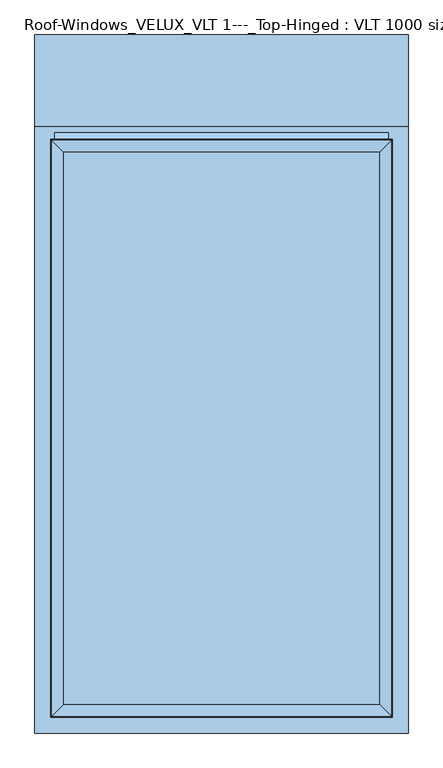
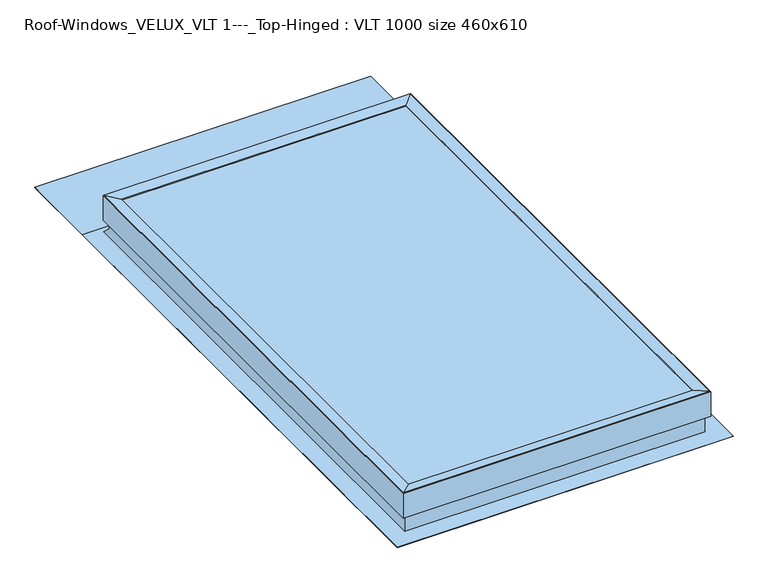
"""IFC4 building model written with IfcOpenShell, lengths in millimetres: window geometry, Roof-Windows_VELUX_VLT 1---_Top-Hinged : VLT 1000 size 460x610."""

from ifc_helpers import new_model, si_unit, frame, origin, place, context, project, spatial, polyline, circle_curve, outline, extrude, faceted_brep, source, transform, mapped, element, save
from ifc_brep_helpers import plane_surface, cylinder_surface, revolved_surface, advanced_brep


def roof_windows_velux_vlt_1_top_hinged_vlt_1000_size_460x610_8301d4c6(model_context):
    return source(origin(), model_context, "Body", "SolidModel", [
        advanced_brep(
        [(15.0, 553.9444995, 4120.4673639), (-15.0, 553.9444995, 4120.4673639), (-9.9250672, 553.9444995, 4079.2454636), (9.9250672, 553.9444995, 4079.2454636), (9.9250672, 578.9444995, 4079.2454636), (-9.9250672, 578.9444995, 4079.2454636), (-13.2887357, 578.9444995, 4106.5673639), (13.2887357, 578.9444995, 4106.5673639), (15.0, 585.1444995, 4120.4673639), (-15.0, 585.1444995, 4120.4673639), (-13.2887357, 585.1444995, 4106.5673639), (9.9250672, 568.4444995, 4079.2454636), (6.6143783, 568.4444995, 4072.9673639), (6.6143783, 564.4444995, 4072.9673639), (9.9250672, 564.4444995, 4079.2454636), (10.9988425, 564.4444995, 4087.9673639), (10.9988425, 568.4444995, 4087.9673639), (13.2887357, 585.1444995, 4106.5673639), (147.5, 568.4444995, 4072.9673639), (197.5, 568.4444995, 4072.9673639), (201.5860791, 568.4444995, 4072.9673639), (144.4821485, 564.4444995, 4072.9673639), (144.4821485, 564.4444995, 4087.9673639), (201.5860791, 568.4444995, 4087.9673639), (197.5, 568.4444995, 4087.9673639), (147.5, 568.4444995, 4087.9673639)],
        [
            (0, 1),
            (1, 2),
            (2, 3, circle_curve(frame((0.0, 553.9444995, 4080.4673639), z_axis=(0.0, -1.0, 0.0), x_axis=(-1.0, 0.0, 0.0)), 10.0)),
            (3, 0),
            (4, 5, circle_curve(frame((0.0, 578.9444995, 4080.4673639), z_axis=(0.0, 1.0, 0.0), x_axis=(-1.0, 0.0, 0.0)), 10.0)),
            (5, 6),
            (6, 7),
            (7, 4),
            (0, 8),
            (8, 9),
            (9, 1),
            (9, 10),
            (10, 6),
            (5, 2),
            (4, 11),
            (11, 12, circle_curve(frame((0.0, 568.4444995, 4080.4673639), z_axis=(0.0, 1.0, 0.0), x_axis=(-1.0, 0.0, 0.0)), 10.0)),
            (12, 13),
            (13, 14, circle_curve(frame((0.0, 564.4444995, 4080.4673639), z_axis=(0.0, -1.0, 0.0), x_axis=(-1.0, 0.0, 0.0)), 10.0)),
            (14, 3),
            (14, 15),
            (15, 16),
            (16, 11),
            (7, 17),
            (17, 8),
            (17, 10),
            (18, 19, circle_curve(frame((172.5, 574.0694995, 4072.9673639), z_axis=(0.0, 0.0, 1.0), x_axis=(0.0, 1.0, 0.0)), 25.625)),
            (19, 20),
            (20, 21, circle_curve(frame((172.5, 574.0694995, 4072.9673639), z_axis=(0.0, 0.0, -1.0), x_axis=(0.0, 1.0, 0.0)), 29.625)),
            (21, 13),
            (12, 18),
            (22, 23, circle_curve(frame((172.5, 574.0694995, 4087.9673639), z_axis=(0.0, 0.0, 1.0), x_axis=(0.0, 1.0, 0.0)), 29.625)),
            (23, 24),
            (24, 25, circle_curve(frame((172.5, 574.0694995, 4087.9673639), z_axis=(0.0, 0.0, -1.0), x_axis=(0.0, 1.0, 0.0)), 25.625)),
            (25, 16),
            (15, 22),
            (18, 25),
            (24, 19),
            (23, 20),
            (22, 21),
        ],
        [
            plane_surface(frame((-355.4185201, 553.9444995, 4120.4673639), z_axis=(0.0, -1.0, 0.0), x_axis=(-1.0, 0.0, 0.0))),
            plane_surface(frame((-355.4185201, 578.9444995, 4120.4673639), z_axis=(0.0, 1.0, 0.0), x_axis=(1.0, 0.0, 0.0))),
            plane_surface(frame((15.0, 553.9444995, 4120.4673639), z_axis=(0.0, 0.0, 1.0), x_axis=(0.0, 1.0, 0.0))),
            plane_surface(frame((-15.0, 553.9444995, 4120.4673639), z_axis=(-0.9925067247033487, 0.0, -0.12219002176377342), x_axis=(0.0, 1.0, 0.0))),
            cylinder_surface(frame((0.0, 578.9444995, 4080.4673639), z_axis=(0.0, -1.0, 0.0), x_axis=(-1.0, 0.0, 0.0)), 10.0),
            plane_surface(frame((9.9250672, 553.9444995, 4079.2454636), z_axis=(0.9925067247033528, 0.0, -0.12219002176373986), x_axis=(0.0, 1.0, 0.0))),
            plane_surface(frame((-15.0, 585.1444995, 4120.4673639), z_axis=(0.0, 1.0, 0.0), x_axis=(1.0, 0.0, 0.0))),
            plane_surface(frame((-13.2887357, 578.9444995, 4106.5673639), z_axis=(0.0, 0.0, -1.0), x_axis=(0.0, 1.0, 0.0))),
            plane_surface(frame((172.5, 599.6944995, 4072.9673639), z_axis=(0.0, 0.0, -1.0), x_axis=(-1.0, 0.0, 0.0))),
            plane_surface(frame((172.5, 599.6944995, 4087.9673639), z_axis=(0.0, 0.0, 1.0), x_axis=(1.0, 0.0, 0.0))),
            revolved_surface(polyline([(172.5, 599.6944995, 4087.9673639), (172.5, 599.6944995, 4072.9673639)]), (172.5, 574.0694995, 4087.9673639), (0.0, 0.0, 1.0)),
            plane_surface(frame((197.5, 568.4444995, 4072.9673639), z_axis=(0.0, 1.0, 0.0), x_axis=(0.0, 0.0, 1.0))),
            cylinder_surface(frame((172.5, 574.0694995, 4087.9673639), z_axis=(0.0, 0.0, -1.0), x_axis=(0.0, 1.0, 0.0)), 29.625),
            plane_surface(frame((144.4821485, 564.4444995, 4072.9673639), z_axis=(0.0, -1.0, 0.0), x_axis=(0.0, 0.0, 1.0))),
            plane_surface(frame((0.0, 568.4444995, 4072.9673639), z_axis=(0.0, 1.0, 0.0), x_axis=(0.0, 0.0, 1.0))),
        ],
        [
            (0, [[1, 2, 3, 4]]),
            (1, [[5, 6, 7, 8]]),
            (2, [[-1, 9, 10, 11]]),
            (3, [[-2, -11, 12, 13, -6, 14]]),
            (4, [[-3, -14, -5, 15, 16, 17, 18, 19]]),
            (5, [[-4, -19, 20, 21, 22, -15, -8, 23, 24, -9]]),
            (6, [[-24, 25, -12, -10]]),
            (7, [[-25, -23, -7, -13]]),
            (8, [[26, 27, 28, 29, -17, 30]]),
            (9, [[31, 32, 33, 34, -21, 35]]),
            (10, [[-26, 36, -33, 37]]),
            (11, [[-27, -37, -32, 38]]),
            (12, [[-28, -38, -31, 39]]),
            (13, [[-39, -35, -20, -18, -29]]),
            (14, [[-36, -30, -16, -22, -34]]),
        ],
    ),
        faceted_brep([(362.2, 612.1, 4140.2), (362.2, 612.1, 4079.3), (-362.2, 612.1, 4079.3), (-362.2, 612.1, 4140.2), (361.0645074, 610.9645074, 4141.1801309), (-361.0645074, 610.9645074, 4141.1801309), (335.2444995, 585.1444995, 4137.3673639), (-335.2444995, 585.1444995, 4137.3673639), (335.2444995, 585.1444995, 4106.5673639), (-335.2444995, 585.1444995, 4106.5673639), (350.0444995, 599.9444995, 4112.1673639), (350.0444995, 599.9444995, 4106.5673639), (-350.0444995, 599.9444995, 4106.5673639), (-350.0444995, 599.9444995, 4112.1673639), (359.2, 609.1, 4079.3), (359.2, 609.1, 4112.1673639), (-359.2, 609.1, 4112.1673639), (-359.2, 609.1, 4079.3), (-362.2, -612.3, 4079.3), (-362.2, -612.3, 4140.2), (-361.0645074, -611.1645074, 4141.1801309), (-335.2444995, -585.3444995, 4137.3673639), (-335.2444995, -585.3444995, 4106.5673639), (-350.0444995, -600.1444995, 4106.5673639), (-350.0444995, -600.1444995, 4112.1673639), (-359.2, -609.3, 4112.1673639), (-359.2, -609.3, 4079.3), (362.2, -612.3, 4079.3), (362.2, -612.3, 4140.2), (361.0645074, -611.1645074, 4141.1801309), (335.2444995, -585.3444995, 4137.3673639), (335.2444995, -585.3444995, 4106.5673639), (350.0444995, -600.1444995, 4106.5673639), (350.0444995, -600.1444995, 4112.1673639), (359.2, -609.3, 4112.1673639), (359.2, -609.3, 4079.3)], [[[0, 1, 2, 3]], [[4, 0, 3, 5]], [[6, 4, 5, 7]], [[8, 6, 7, 9]], [[10, 11, 12, 13]], [[14, 15, 16, 17]], [[3, 2, 18, 19]], [[5, 3, 19, 20]], [[7, 5, 20, 21]], [[9, 7, 21, 22]], [[13, 12, 23, 24]], [[17, 16, 25, 26]], [[19, 18, 27, 28]], [[20, 19, 28, 29]], [[21, 20, 29, 30]], [[22, 21, 30, 31]], [[24, 23, 32, 33]], [[26, 25, 34, 35]], [[1, 27, 18, 2], [17, 26, 35, 14]], [[28, 27, 1, 0]], [[29, 28, 0, 4]], [[30, 29, 4, 6]], [[31, 30, 6, 8]], [[11, 32, 23, 12], [9, 22, 31, 8]], [[33, 32, 11, 10]], [[15, 34, 25, 16], [13, 24, 33, 10]], [[35, 34, 15, 14]]]),
        extrude(outline(polyline([(335.2444995, 585.1444995), (335.2444995, -585.3444995), (-335.2444995, -585.3444995), (-335.2444995, 585.1444995), (335.2444995, 585.1444995)])), frame((0.0, 0.0, 4120.4673639), z_axis=(0.0, 0.0, 1.0), x_axis=(1.0, 0.0, 0.0)), (0.0, 0.0, 1.0), 15.0),
        faceted_brep([(-353.4, -603.4, 4038.6), (-353.4, -603.4, 4106.5673639), (-353.4, 603.5, 4106.5673639), (-353.4, 603.5, 4060.3), (-353.4, 625.2, 4038.6), (353.4, -603.4, 4106.5673639), (353.4, -603.4, 4038.6), (353.4, 625.2, 4038.6), (353.4, 603.5, 4060.3), (353.4, 603.5, 4106.5673639), (339.3, -589.3, 4105.6), (339.3, -589.3, 4106.5673639), (339.3, 589.3, 4106.5673639), (339.3, 589.3, 4105.6), (395.6, 638.7, 4037.6), (395.6, 638.7, 4038.6), (395.6, -645.6, 4038.6), (395.6, -645.6, 4037.6), (352.4, -602.4, 4037.6), (352.4, -602.4, 4105.6), (352.4, 602.5, 4105.6), (352.4, 602.5, 4059.8), (352.4, 624.7, 4037.6), (-339.3, -589.3, 4105.6), (-339.3, -589.3, 4106.5673639), (-395.6, -645.6, 4038.6), (-395.6, -645.6, 4037.6), (-352.4, -602.4, 4105.6), (-352.4, -602.4, 4037.6), (-339.3, 589.3, 4105.6), (-339.3, 589.3, 4106.5673639), (-395.6, 638.7, 4038.6), (-395.6, 638.7, 4037.6), (-352.4, 624.7, 4037.6), (-352.4, 602.5, 4059.8), (-352.4, 602.5, 4105.6)], [[[0, 1, 2, 3, 4]], [[5, 6, 7, 8, 9]], [[10, 11, 12, 13]], [[14, 15, 16, 17]], [[18, 19, 20, 21, 22]], [[10, 23, 24, 11]], [[5, 1, 0, 6]], [[16, 25, 26, 17]], [[27, 19, 18, 28]], [[24, 23, 29, 30]], [[31, 32, 26, 25]], [[27, 28, 33, 34, 35]], [[34, 21, 20, 35]], [[19, 27, 35, 20], [23, 10, 13, 29]], [[29, 13, 12, 30]], [[1, 5, 9, 2], [11, 24, 30, 12]], [[9, 8, 3, 2]], [[3, 8, 7, 4]], [[31, 25, 16, 15], [4, 7, 6, 0]], [[31, 15, 14, 32]], [[14, 17, 26, 32], [28, 18, 22, 33]], [[21, 34, 33, 22]]]),
        extrude(outline(polyline([(-395.6, 638.7), (-395.6, 832.8), (395.6, 832.8), (395.6, 638.7), (-395.6, 638.7)])), frame((0.0, 0.0, 4037.6), z_axis=(0.0, 0.0, 1.0), x_axis=(1.0, 0.0, 0.0)), (0.0, 0.0, 1.0), 1.0),
        extrude(outline(polyline([(-350.0, 600.0), (350.0, 600.0), (350.0, -600.0), (-350.0, -600.0), (-350.0, 600.0)]), holes=[polyline([(-329.0, -579.0), (329.0, -579.0), (329.0, 579.0), (-329.0, 579.0), (-329.0, -579.0)])]), frame((0.0, 0.0, 4037.6), z_axis=(0.0, 0.0, 1.0), x_axis=(1.0, 0.0, 0.0)), (0.0, 0.0, 1.0), 68.0),
    ])


if __name__ == "__main__":
    model = new_model("IFC4")
    model_context = context("Model", 3, world=origin())
    ifc_project = project(units=[si_unit("LENGTHUNIT", "METRE", prefix="MILLI")], contexts=[model_context])
    site = spatial("IfcSite", under=ifc_project)
    building = spatial("IfcBuilding", under=site)
    placement = place(None, origin())
    roof_windows_velux_vlt_1_top_hinged_vlt_1000_size_460x610_shape = roof_windows_velux_vlt_1_top_hinged_vlt_1000_size_460x610_8301d4c6(model_context)
    element("IfcWindow", 1, ObjectType="Roof-Windows_VELUX_VLT 1---_Top-Hinged : VLT 1000 size 460x610", at=placement, inside=building, context=model_context, shape_type="MappedRepresentation", body=[
        mapped(roof_windows_velux_vlt_1_top_hinged_vlt_1000_size_460x610_shape, transform((0.0, 0.0, 0.0), x_axis=(1.0, 0.0, 0.0), y_axis=(0.0, 1.0, 0.0), z_axis=(0.0, 0.0, 1.0))),
    ])
    save(model, "model.ifc")
